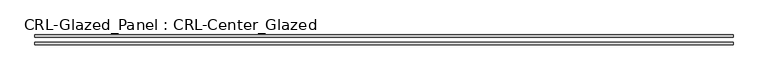
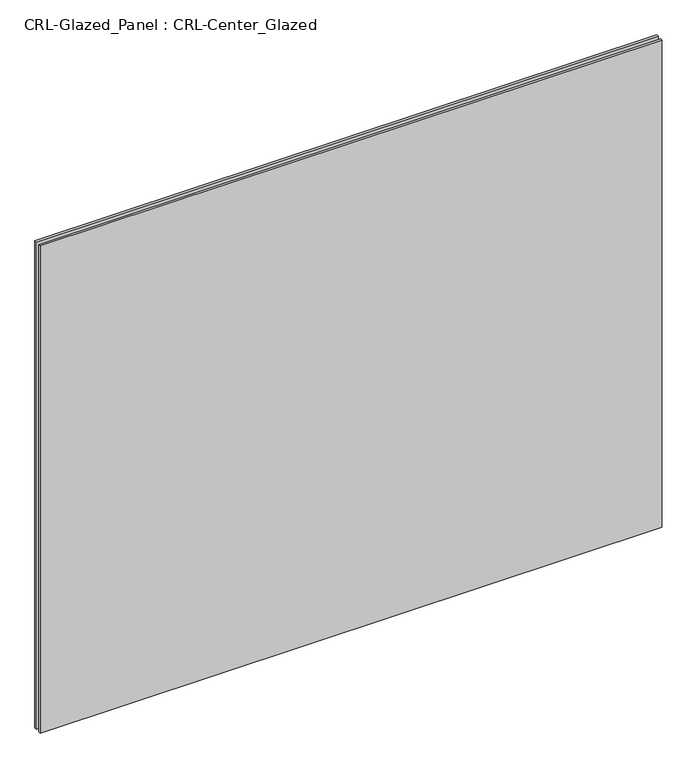
"""IFC4 building model written with IfcOpenShell, lengths in millimetres: plate geometry, CRL-Glazed_Panel : CRL-Center_Glazed."""

from ifc_helpers import new_model, si_unit, origin, origin_with_axes, place, context, project, spatial, polyline, outline, extrude, source, transform, mapped, element, save


def crl_glazed_panel_crl_center_glazed_52f4905f(model_context):
    return source(origin(), model_context, "Body", "SweptSolid", [
        extrude(outline(polyline([(887.4125, 12.7), (887.4125, 6.35), (-887.4125, 6.35), (-887.4125, 12.7), (887.4125, 12.7)])), origin_with_axes(), (0.0, 0.0, 1.0), 1470.025),
        extrude(outline(polyline([(-887.4125, -6.35), (887.4125, -6.35), (887.4125, -12.7), (-887.4125, -12.7), (-887.4125, -6.35)])), origin_with_axes(), (0.0, 0.0, 1.0), 1470.025),
    ])


if __name__ == "__main__":
    model = new_model("IFC4")
    model_context = context("Model", 3, world=origin())
    ifc_project = project(units=[si_unit("LENGTHUNIT", "METRE", prefix="MILLI")], contexts=[model_context])
    site = spatial("IfcSite", under=ifc_project)
    building = spatial("IfcBuilding", under=site)
    placement = place(None, origin())
    crl_glazed_panel_crl_center_glazed_shape = crl_glazed_panel_crl_center_glazed_52f4905f(model_context)
    element("IfcPlate", 1, ObjectType="CRL-Glazed_Panel : CRL-Center_Glazed", at=placement, inside=building, context=model_context, shape_type="MappedRepresentation", body=[
        mapped(crl_glazed_panel_crl_center_glazed_shape, transform((0.0, 0.0, 0.0), x_axis=(1.0, 0.0, 0.0), y_axis=(0.0, 1.0, 0.0), z_axis=(0.0, 0.0, 1.0))),
    ])
    save(model, "model.ifc")
